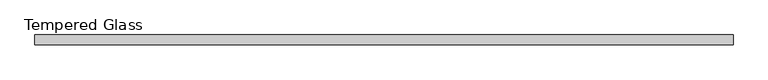
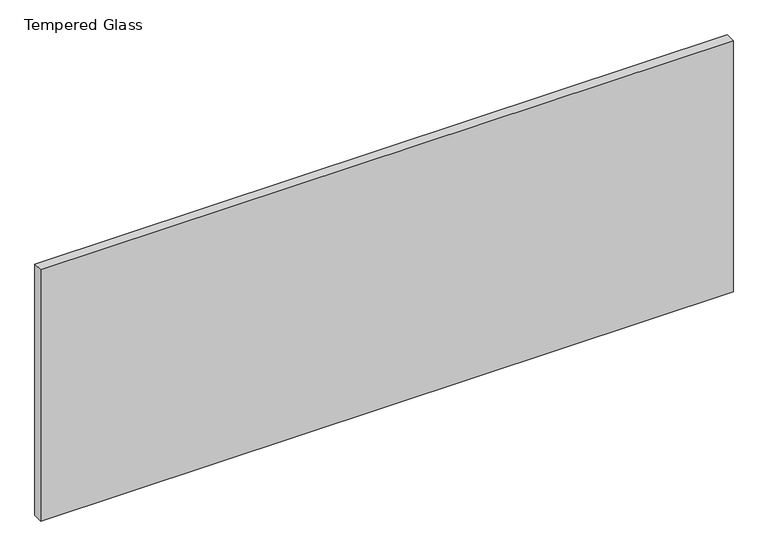
"""IFC4 building model written with IfcOpenShell, lengths in millimetres: plate geometry, Tempered Glass."""

from ifc_helpers import new_model, si_unit, origin, origin_with_axes, place, context, project, spatial, polyline, outline, extrude, source, transform, mapped, element, save


def tempered_glass_904ea97f(model_context):
    return source(origin(), model_context, "Body", "SweptSolid", [
        extrude(outline(polyline([(670.7187499, -9.525), (-670.7187499, -9.525), (-670.7187499, 9.525), (670.7187499, 9.525), (670.7187499, -9.525)])), origin_with_axes(), (0.0, 0.0, 1.0), 514.35),
    ])


if __name__ == "__main__":
    model = new_model("IFC4")
    model_context = context("Model", 3, world=origin())
    ifc_project = project(units=[si_unit("LENGTHUNIT", "METRE", prefix="MILLI")], contexts=[model_context])
    site = spatial("IfcSite", under=ifc_project)
    building = spatial("IfcBuilding", under=site)
    placement = place(None, origin())
    tempered_glass_shape = tempered_glass_904ea97f(model_context)
    element("IfcPlate", 1, ObjectType="Tempered Glass", at=placement, inside=building, context=model_context, shape_type="MappedRepresentation", body=[
        mapped(tempered_glass_shape, transform((0.0, 0.0, 0.0), x_axis=(1.0, 0.0, 0.0), y_axis=(0.0, 1.0, 0.0), z_axis=(0.0, 0.0, 1.0))),
    ])
    save(model, "model.ifc")
